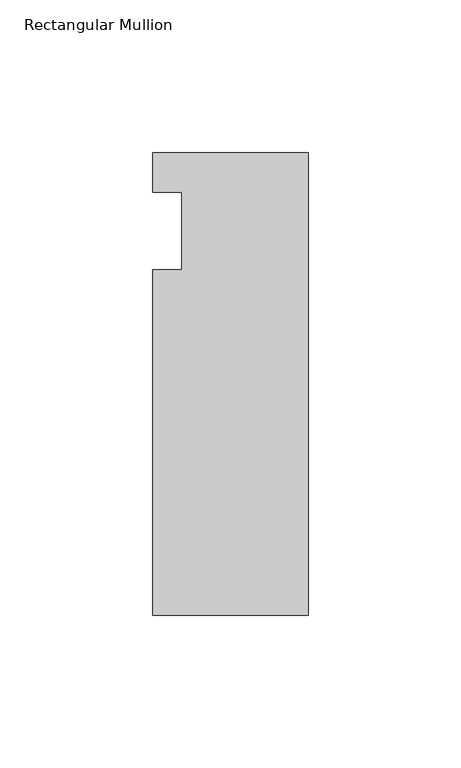
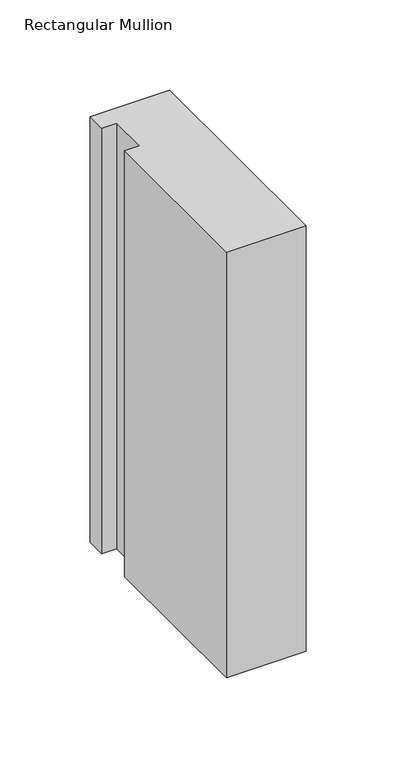
"""IFC4 building model written with IfcOpenShell, lengths in millimetres: member geometry, Rectangular Mullion."""

import ifcopenshell
import ifcopenshell.guid

model = None  # the IFC model being written
_history = None  # IfcOwnerHistory: only IFC2X3 demands one
_inside = {}  # id of a spatial element -> (the spatial element, [elements in it])
_under = {}  # id of a project, library or spatial element -> (it, [spatial elements below it])
_declared = {}  # id of a project -> (the project, [libraries it declares])
_typed = {}  # id of a type object -> (the type object, [elements of that type])
_made_of = {}  # id of a material, layer set ... -> (it, [elements and type objects made of it])


def new_model(schema):
    """Start an empty IFC model of exactly this schema.

    Asked for "IFC4X3", IfcOpenShell would pick the latest addendum, in which some entities
    have other attributes; the version numbers below select the first issue.
    IFC2X3 requires an IfcOwnerHistory on every rooted entity: one is made here for all.
    """
    global model, _history
    if schema == "IFC4X3":
        model = ifcopenshell.file(schema_version=(4, 3, 0, 0))
    else:
        model = ifcopenshell.file(schema=schema)
    _inside.clear()
    _under.clear()
    _declared.clear()
    _typed.clear()
    _made_of.clear()
    _history = None
    if model.schema == "IFC2X3":
        org = make("IfcOrganization", Name="unknown")
        user = make(
            "IfcPersonAndOrganization",
            ThePerson=make("IfcPerson", FamilyName="unknown"),
            TheOrganization=org,
        )
        app = make(
            "IfcApplication",
            ApplicationDeveloper=org,
            Version="unknown",
            ApplicationFullName="unknown",
            ApplicationIdentifier="unknown",
        )
        _history = make(
            "IfcOwnerHistory",
            OwningUser=user,
            OwningApplication=app,
            ChangeAction="ADDED",
            CreationDate=0,
        )
    return model


def make(cls, **values):
    """One entity of the class cls with the attributes given. An attribute that is None is left unset."""
    return model.create_entity(
        cls, **{name: value for name, value in values.items() if value is not None}
    )


def rooted(cls, **values):
    """An entity with a GlobalId (a new one), such as an element, a storey or a relation."""
    return make(cls, GlobalId=ifcopenshell.guid.new(), OwnerHistory=_history, **values)


def si_unit(unit_type, name, prefix=None):
    """IfcSIUnit, for example si_unit("LENGTHUNIT", "METRE", prefix="MILLI")."""
    return make("IfcSIUnit", UnitType=unit_type, Prefix=prefix, Name=name)


def assignment(units):
    """IfcUnitAssignment: the units of a project."""
    return None if units is None else make("IfcUnitAssignment", Units=units)


def point(xyz):
    """IfcCartesianPoint."""
    return None if xyz is None else make("IfcCartesianPoint", Coordinates=xyz)


def direction(xyz):
    """IfcDirection."""
    return None if xyz is None else make("IfcDirection", DirectionRatios=xyz)


def frame(location, z_axis=None, x_axis=None):
    """IfcAxis2Placement3D, a coordinate frame: its origin and axes. An axis left out is left unset."""
    return make(
        "IfcAxis2Placement3D",
        Location=point(location),
        Axis=direction(z_axis),
        RefDirection=direction(x_axis),
    )


def origin():
    """The frame at (0, 0, 0) with its axes left unset."""
    return frame((0.0, 0.0, 0.0))


def place(relative_to, where):
    """IfcLocalPlacement: puts the frame where relative to a parent placement (None: the world)."""
    return make(
        "IfcLocalPlacement", PlacementRelTo=relative_to, RelativePlacement=where
    )


def context(
    kind, dimensions, precision=None, world=None, true_north=None, identifier=None
):
    """IfcGeometricRepresentationContext, for example the 3D "Model" context."""
    return make(
        "IfcGeometricRepresentationContext",
        ContextIdentifier=identifier,
        ContextType=kind,
        CoordinateSpaceDimension=dimensions,
        Precision=precision,
        WorldCoordinateSystem=world,
        TrueNorth=true_north,
    )


def project(units=None, contexts=None):
    """IfcProject with its units and contexts."""
    return rooted(
        "IfcProject",
        Name="project",
        RepresentationContexts=contexts,
        UnitsInContext=assignment(units),
    )


def spatial(cls, under=None, at=None, **own):
    """A site, building, storey or space (cls), placed at a placement, below another one or the project."""
    s = rooted(cls, ObjectPlacement=at, **own)
    if under is not None:
        _under.setdefault(under.id(), (under, []))[1].append(s)
    return s


def polyline(points):
    """IfcPolyline through the points."""
    return make("IfcPolyline", Points=[point(p) for p in points])


def outline(outer, holes=None, kind="AREA"):
    """IfcArbitraryClosedProfileDef: a profile drawn as a closed curve; with holes, ...WithVoids."""
    if holes is None:
        return make("IfcArbitraryClosedProfileDef", ProfileType=kind, OuterCurve=outer)
    return make(
        "IfcArbitraryProfileDefWithVoids",
        ProfileType=kind,
        OuterCurve=outer,
        InnerCurves=holes,
    )


def extrude(swept, where, along, depth):
    """IfcExtrudedAreaSolid: the profile swept, set in the frame where, extruded along a direction by depth."""
    return make(
        "IfcExtrudedAreaSolid",
        SweptArea=swept,
        Position=where,
        ExtrudedDirection=direction(along),
        Depth=depth,
    )


def shape(context_of_items, identifier, shape_type, items):
    """IfcShapeRepresentation: the items that make up one representation, for example the "Body"."""
    return make(
        "IfcShapeRepresentation",
        ContextOfItems=context_of_items,
        RepresentationIdentifier=identifier,
        RepresentationType=shape_type,
        Items=items,
    )


def source(mapping_origin, context_of_items, identifier, shape_type, items):
    """IfcRepresentationMap: a shape defined once, which mapped items show again and again."""
    return make(
        "IfcRepresentationMap",
        MappingOrigin=mapping_origin,
        MappedRepresentation=shape(context_of_items, identifier, shape_type, items),
    )


def transform(
    local_origin,
    x_axis=None,
    y_axis=None,
    z_axis=None,
    scale=None,
    scale2=None,
    scale3=None,
    uniform=True,
):
    """IfcCartesianTransformationOperator3D, or its non-uniform kind. x_axis, y_axis, z_axis: its Axis1, 2, 3."""
    if uniform:
        return make(
            "IfcCartesianTransformationOperator3D",
            Axis1=direction(x_axis),
            Axis2=direction(y_axis),
            LocalOrigin=point(local_origin),
            Scale=scale,
            Axis3=direction(z_axis),
        )
    return make(
        "IfcCartesianTransformationOperator3DnonUniform",
        Axis1=direction(x_axis),
        Axis2=direction(y_axis),
        LocalOrigin=point(local_origin),
        Scale=scale,
        Axis3=direction(z_axis),
        Scale2=scale2,
        Scale3=scale3,
    )


def mapped(mapping_source, mapping_target):
    """IfcMappedItem: shows the shape of a source again, moved by a transform."""
    return make(
        "IfcMappedItem", MappingSource=mapping_source, MappingTarget=mapping_target
    )


def made_of(thing, what):
    """Note that an element or type object is made of a material, layer set ...; save() writes the relation."""
    if what is not None:
        _made_of.setdefault(what.id(), (what, []))[1].append(thing)
    return thing


def element(
    cls,
    number,
    at=None,
    inside=None,
    cuts=None,
    type_object=None,
    material=None,
    context=None,
    identifier="Body",
    shape_type=None,
    held_by="IfcProductDefinitionShape",
    body=None,
    shapes=None,
    **own,
):
    """One element of the class cls, such as IfcWall. Its Tag is "e" and its number.

    at: its placement. inside: the storey or other place that contains it. cuts: it is an
    opening in that element (IfcRelVoidsElement). A single representation is given by context,
    identifier, shape_type and body (its items); several are given by shapes. held_by: the class
    of the entity that holds the representations. save() writes the other relations.
    """
    e = rooted(cls, Tag="e%d" % number, ObjectPlacement=at, **own)
    if body is not None:
        shapes = [shape(context, identifier, shape_type, body)]
    if shapes is not None:
        e.Representation = make(held_by, Representations=shapes)
    if inside is not None:
        _inside.setdefault(inside.id(), (inside, []))[1].append(e)
    if cuts is not None:
        rooted(
            "IfcRelVoidsElement", RelatingBuildingElement=cuts, RelatedOpeningElement=e
        )
    if type_object is not None:
        _typed.setdefault(type_object.id(), (type_object, []))[1].append(e)
    return made_of(e, material)


def aggregate(whole, parts):
    """IfcRelAggregates: a whole, such as a stair, and the parts it consists of."""
    return rooted("IfcRelAggregates", RelatingObject=whole, RelatedObjects=parts)


def save(model, path):
    """Write the relations noted so far, then the file.

    IfcRelAggregates (storeys below a building ...), IfcRelContainedInSpatialStructure (elements
    in a storey), IfcRelDefinesByType, IfcRelAssociatesMaterial and IfcRelDeclares: one each for
    every whole, place, type object, material and project.
    """
    for whole, parts in _under.values():
        aggregate(whole, parts)
    for where, things in _inside.values():
        rooted(
            "IfcRelContainedInSpatialStructure",
            RelatedElements=things,
            RelatingStructure=where,
        )
    for kind, things in _typed.values():
        rooted("IfcRelDefinesByType", RelatedObjects=things, RelatingType=kind)
    for what, things in _made_of.values():
        rooted("IfcRelAssociatesMaterial", RelatedObjects=things, RelatingMaterial=what)
    for by, libraries in _declared.values():
        rooted("IfcRelDeclares", RelatingContext=by, RelatedDefinitions=libraries)
    model.write(path)


def rectangular_mullion_c7004d74(model_context):
    return source(origin(), model_context, "Body", "SweptSolid", [
        extrude(outline(polyline([(-50.8, 25.5984375), (0.0, 25.5984375), (0.0, -125.6109375), (-50.8, -125.6109375), (-50.8, -12.7), (-41.275, -12.7), (-41.275, 12.7), (-50.8, 12.7), (-50.8, 25.5984375)])), frame((0.0, 0.0, -287.8666667), z_axis=(0.0, 0.0, 1.0), x_axis=(1.0, 0.0, 0.0)), (0.0, 0.0, 1.0), 287.8666667),
    ])


if __name__ == "__main__":
    model = new_model("IFC4")
    model_context = context("Model", 3, world=origin())
    ifc_project = project(units=[si_unit("LENGTHUNIT", "METRE", prefix="MILLI")], contexts=[model_context])
    site = spatial("IfcSite", under=ifc_project)
    building = spatial("IfcBuilding", under=site)
    placement = place(None, origin())
    rectangular_mullion_shape = rectangular_mullion_c7004d74(model_context)
    element("IfcMember", 1, ObjectType="Rectangular Mullion", at=placement, inside=building, context=model_context, shape_type="MappedRepresentation", body=[
        mapped(rectangular_mullion_shape, transform((0.0, 0.0, 0.0), x_axis=(1.0, 0.0, 0.0), y_axis=(0.0, 1.0, 0.0), z_axis=(0.0, 0.0, 1.0))),
    ])
    save(model, "model.ifc")
